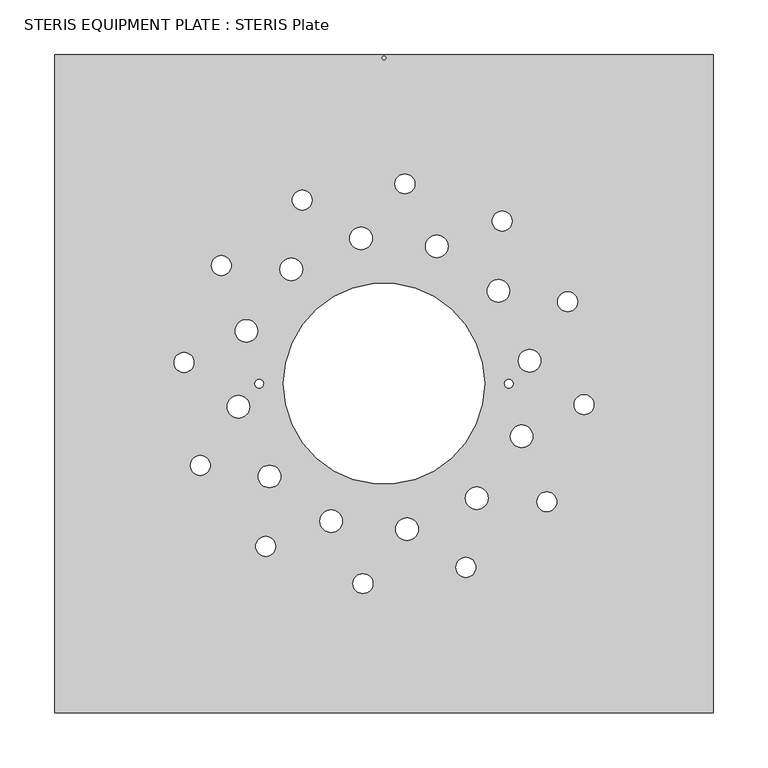
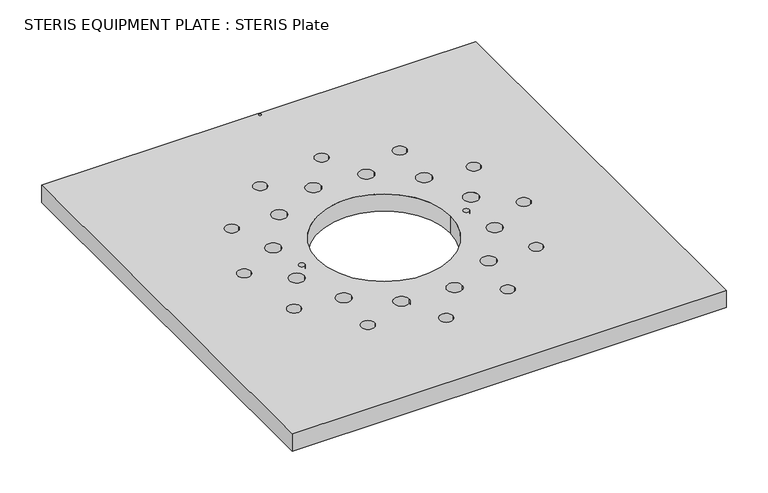
"""IFC4 building model written with IfcOpenShell, lengths in millimetres: fastener geometry, STERIS EQUIPMENT PLATE : STERIS Plate."""

from ifc_helpers import new_model, si_unit, point, frame_2d, origin, origin_with_axes, place, context, project, spatial, polyline, circle_curve, trimmed, segment, composite_curve, outline, extrude, source, transform, mapped, element, save


def steris_equipment_plate_steris_plate_750d8a87(model_context):
    return source(origin(), model_context, "Body", "SweptSolid", [
        extrude(outline(polyline([(-301.625, 301.3690042), (301.625, 301.3690042), (301.625, -301.8809958), (-301.625, -301.8809958), (-301.625, 301.3690042)]), holes=[composite_curve([segment(trimmed(circle_curve(frame_2d((0.0, 298.1512602)), 1.5600354), [point((-1.5600354, 298.1512602))], [point((1.5600354, 298.1512602))], True, "CARTESIAN"), True, "CONTINUOUS"), segment(trimmed(circle_curve(frame_2d((0.0, 298.1512602)), 1.5600354), [point((1.5600354, 298.1512602))], [point((-1.5600354, 298.1512602))], True, "CARTESIAN"), True, "CONTINUOUS")], self_intersect=False), composite_curve([segment(trimmed(circle_curve(frame_2d((0.0, -0.2559958)), 92.075), [point((-92.075, -0.2559958))], [point((92.075, -0.2559958))], True, "CARTESIAN"), True, "CONTINUOUS"), segment(trimmed(circle_curve(frame_2d((0.0, -0.2559958)), 92.075), [point((92.075, -0.2559958))], [point((-92.075, -0.2559958))], True, "CARTESIAN"), True, "CONTINUOUS")], self_intersect=False), composite_curve([segment(trimmed(circle_curve(frame_2d((-84.9085458, 104.6185376)), 10.3251), [point((-95.2336458, 104.6185376))], [point((-74.5834458, 104.6185376))], True, "CARTESIAN"), True, "CONTINUOUS"), segment(trimmed(circle_curve(frame_2d((-84.9085458, 104.6185376)), 10.3251), [point((-74.5834458, 104.6185376))], [point((-95.2336458, 104.6185376))], True, "CARTESIAN"), True, "CONTINUOUS")], self_intersect=False), composite_curve([segment(trimmed(circle_curve(frame_2d((-114.3, -0.2559958)), 3.96875), [point((-118.26875, -0.2559958))], [point((-110.33125, -0.2559958))], True, "CARTESIAN"), True, "CONTINUOUS"), segment(trimmed(circle_curve(frame_2d((-114.3, -0.2559958)), 3.96875), [point((-110.33125, -0.2559958))], [point((-118.26875, -0.2559958))], True, "CARTESIAN"), True, "CONTINUOUS")], self_intersect=False), composite_curve([segment(trimmed(circle_curve(frame_2d((114.3, -0.2559958)), 3.96875), [point((110.33125, -0.2559958))], [point((118.26875, -0.2559958))], True, "CARTESIAN"), True, "CONTINUOUS"), segment(trimmed(circle_curve(frame_2d((114.3, -0.2559958)), 3.96875), [point((118.26875, -0.2559958))], [point((110.33125, -0.2559958))], True, "CARTESIAN"), True, "CONTINUOUS")], self_intersect=False), composite_curve([segment(trimmed(circle_curve(frame_2d((-21.0554883, 133.0286444)), 10.3251), [point((-31.3805883, 133.0286444))], [point((-10.7303883, 133.0286444))], True, "CARTESIAN"), True, "CONTINUOUS"), segment(trimmed(circle_curve(frame_2d((-21.0554883, 133.0286444)), 10.3251), [point((-10.7303883, 133.0286444))], [point((-31.3805883, 133.0286444))], True, "CARTESIAN"), True, "CONTINUOUS")], self_intersect=False), composite_curve([segment(trimmed(circle_curve(frame_2d((48.3351671, 125.7274973)), 10.3251), [point((38.0100671, 125.7274973))], [point((58.6602671, 125.7274973))], True, "CARTESIAN"), True, "CONTINUOUS"), segment(trimmed(circle_curve(frame_2d((48.3351671, 125.7274973)), 10.3251), [point((58.6602671, 125.7274973))], [point((38.0100671, 125.7274973))], True, "CARTESIAN"), True, "CONTINUOUS")], self_intersect=False), composite_curve([segment(trimmed(circle_curve(frame_2d((104.7881712, 84.7591092)), 10.3251), [point((94.4630712, 84.7591092))], [point((115.1132712, 84.7591092))], True, "CARTESIAN"), True, "CONTINUOUS"), segment(trimmed(circle_curve(frame_2d((104.7881712, 84.7591092)), 10.3251), [point((115.1132712, 84.7591092))], [point((94.4630712, 84.7591092))], True, "CARTESIAN"), True, "CONTINUOUS")], self_intersect=False), composite_curve([segment(trimmed(circle_curve(frame_2d((133.267494, 20.9077458)), 10.3251), [point((122.942394, 20.9077458))], [point((143.592594, 20.9077458))], True, "CARTESIAN"), True, "CONTINUOUS"), segment(trimmed(circle_curve(frame_2d((133.267494, 20.9077458)), 10.3251), [point((143.592594, 20.9077458))], [point((122.942394, 20.9077458))], True, "CARTESIAN"), True, "CONTINUOUS")], self_intersect=False), composite_curve([segment(trimmed(circle_curve(frame_2d((126.0226115, -48.4890788)), 10.3251), [point((115.6975115, -48.4890788))], [point((136.3477115, -48.4890788))], True, "CARTESIAN"), True, "CONTINUOUS"), segment(trimmed(circle_curve(frame_2d((126.0226115, -48.4890788)), 10.3251), [point((136.3477115, -48.4890788))], [point((115.6975115, -48.4890788))], True, "CARTESIAN"), True, "CONTINUOUS")], self_intersect=False), composite_curve([segment(trimmed(circle_curve(frame_2d((84.9326928, -105.1109748)), 10.3251), [point((74.6075928, -105.1109748))], [point((95.2577928, -105.1109748))], True, "CARTESIAN"), True, "CONTINUOUS"), segment(trimmed(circle_curve(frame_2d((84.9326928, -105.1109748)), 10.3251), [point((95.2577928, -105.1109748))], [point((74.6075928, -105.1109748))], True, "CARTESIAN"), True, "CONTINUOUS")], self_intersect=False), composite_curve([segment(trimmed(circle_curve(frame_2d((21.0560138, -133.540553)), 10.3251), [point((10.7309138, -133.540553))], [point((31.3811138, -133.540553))], True, "CARTESIAN"), True, "CONTINUOUS"), segment(trimmed(circle_curve(frame_2d((21.0560138, -133.540553)), 10.3251), [point((31.3811138, -133.540553))], [point((10.7309138, -133.540553))], True, "CARTESIAN"), True, "CONTINUOUS")], self_intersect=False), composite_curve([segment(trimmed(circle_curve(frame_2d((-48.4114324, -126.2102023)), 10.3251), [point((-58.7365324, -126.2102023))], [point((-38.0863324, -126.2102023))], True, "CARTESIAN"), True, "CONTINUOUS"), segment(trimmed(circle_curve(frame_2d((-48.4114324, -126.2102023)), 10.3251), [point((-38.0863324, -126.2102023))], [point((-58.7365324, -126.2102023))], True, "CARTESIAN"), True, "CONTINUOUS")], self_intersect=False), composite_curve([segment(trimmed(circle_curve(frame_2d((-104.8470581, -85.1984664)), 10.3251), [point((-115.1721581, -85.1984664))], [point((-94.5219581, -85.1984664))], True, "CARTESIAN"), True, "CONTINUOUS"), segment(trimmed(circle_curve(frame_2d((-104.8470581, -85.1984664)), 10.3251), [point((-94.5219581, -85.1984664))], [point((-115.1721581, -85.1984664))], True, "CARTESIAN"), True, "CONTINUOUS")], self_intersect=False), composite_curve([segment(trimmed(circle_curve(frame_2d((-133.2921594, -21.2638311)), 10.3251), [point((-143.6172594, -21.2638311))], [point((-122.9670594, -21.2638311))], True, "CARTESIAN"), True, "CONTINUOUS"), segment(trimmed(circle_curve(frame_2d((-133.2921594, -21.2638311)), 10.3251), [point((-122.9670594, -21.2638311))], [point((-143.6172594, -21.2638311))], True, "CARTESIAN"), True, "CONTINUOUS")], self_intersect=False), composite_curve([segment(trimmed(circle_curve(frame_2d((-125.9874854, 48.0687641)), 10.3251), [point((-136.3125854, 48.0687641))], [point((-115.6623854, 48.0687641))], True, "CARTESIAN"), True, "CONTINUOUS"), segment(trimmed(circle_curve(frame_2d((-125.9874854, 48.0687641)), 10.3251), [point((-115.6623854, 48.0687641))], [point((-136.3125854, 48.0687641))], True, "CARTESIAN"), True, "CONTINUOUS")], self_intersect=False), composite_curve([segment(trimmed(circle_curve(frame_2d((-74.8702822, 167.9868743)), 9.1313), [point((-84.0015822, 167.9868743))], [point((-65.7389822, 167.9868743))], True, "CARTESIAN"), True, "CONTINUOUS"), segment(trimmed(circle_curve(frame_2d((-74.8702822, 167.9868743)), 9.1313), [point((-65.7389822, 167.9868743))], [point((-84.0015822, 167.9868743))], True, "CARTESIAN"), True, "CONTINUOUS")], self_intersect=False), composite_curve([segment(trimmed(circle_curve(frame_2d((-148.9834423, 107.9805803)), 9.1313), [point((-158.1147423, 107.9805803))], [point((-139.8521423, 107.9805803))], True, "CARTESIAN"), True, "CONTINUOUS"), segment(trimmed(circle_curve(frame_2d((-148.9834423, 107.9805803)), 9.1313), [point((-139.8521423, 107.9805803))], [point((-158.1147423, 107.9805803))], True, "CARTESIAN"), True, "CONTINUOUS")], self_intersect=False), composite_curve([segment(trimmed(circle_curve(frame_2d((-183.126936, 19.1282197)), 9.1313), [point((-192.258236, 19.1282197))], [point((-173.995636, 19.1282197))], True, "CARTESIAN"), True, "CONTINUOUS"), segment(trimmed(circle_curve(frame_2d((-183.126936, 19.1282197)), 9.1313), [point((-173.995636, 19.1282197))], [point((-192.258236, 19.1282197))], True, "CARTESIAN"), True, "CONTINUOUS")], self_intersect=False), composite_curve([segment(trimmed(circle_curve(frame_2d((-168.2148813, -75.1891407)), 9.1313), [point((-177.3461813, -75.1891407))], [point((-159.0835813, -75.1891407))], True, "CARTESIAN"), True, "CONTINUOUS"), segment(trimmed(circle_curve(frame_2d((-168.2148813, -75.1891407)), 9.1313), [point((-159.0835813, -75.1891407))], [point((-177.3461813, -75.1891407))], True, "CARTESIAN"), True, "CONTINUOUS")], self_intersect=False), composite_curve([segment(trimmed(circle_curve(frame_2d((-108.3093828, -149.1865169)), 9.1313), [point((-117.4406828, -149.1865169))], [point((-99.1780828, -149.1865169))], True, "CARTESIAN"), True, "CONTINUOUS"), segment(trimmed(circle_curve(frame_2d((-108.3093828, -149.1865169)), 9.1313), [point((-99.1780828, -149.1865169))], [point((-117.4406828, -149.1865169))], True, "CARTESIAN"), True, "CONTINUOUS")], self_intersect=False), composite_curve([segment(trimmed(circle_curve(frame_2d((-19.2693325, -183.3950559)), 9.1313), [point((-28.4006325, -183.3950559))], [point((-10.1380325, -183.3950559))], True, "CARTESIAN"), True, "CONTINUOUS"), segment(trimmed(circle_curve(frame_2d((-19.2693325, -183.3950559)), 9.1313), [point((-10.1380325, -183.3950559))], [point((-28.4006325, -183.3950559))], True, "CARTESIAN"), True, "CONTINUOUS")], self_intersect=False), composite_curve([segment(trimmed(circle_curve(frame_2d((74.9441087, -168.4659928)), 9.1313), [point((65.8128087, -168.4659928))], [point((84.0754087, -168.4659928))], True, "CARTESIAN"), True, "CONTINUOUS"), segment(trimmed(circle_curve(frame_2d((74.9441087, -168.4659928)), 9.1313), [point((84.0754087, -168.4659928))], [point((65.8128087, -168.4659928))], True, "CARTESIAN"), True, "CONTINUOUS")], self_intersect=False), composite_curve([segment(trimmed(circle_curve(frame_2d((149.0634956, -108.382296)), 9.1313), [point((139.9321956, -108.382296))], [point((158.1947956, -108.382296))], True, "CARTESIAN"), True, "CONTINUOUS"), segment(trimmed(circle_curve(frame_2d((149.0634956, -108.382296)), 9.1313), [point((158.1947956, -108.382296))], [point((139.9321956, -108.382296))], True, "CARTESIAN"), True, "CONTINUOUS")], self_intersect=False), composite_curve([segment(trimmed(circle_curve(frame_2d((183.1487199, -19.4332973)), 9.1313), [point((174.0174199, -19.4332973))], [point((192.2800199, -19.4332973))], True, "CARTESIAN"), True, "CONTINUOUS"), segment(trimmed(circle_curve(frame_2d((183.1487199, -19.4332973)), 9.1313), [point((192.2800199, -19.4332973))], [point((174.0174199, -19.4332973))], True, "CARTESIAN"), True, "CONTINUOUS")], self_intersect=False), composite_curve([segment(trimmed(circle_curve(frame_2d((168.1318108, 74.8633538)), 9.1313), [point((159.0005108, 74.8633538))], [point((177.2631108, 74.8633538))], True, "CARTESIAN"), True, "CONTINUOUS"), segment(trimmed(circle_curve(frame_2d((168.1318108, 74.8633538)), 9.1313), [point((177.2631108, 74.8633538))], [point((159.0005108, 74.8633538))], True, "CARTESIAN"), True, "CONTINUOUS")], self_intersect=False), composite_curve([segment(trimmed(circle_curve(frame_2d((108.1581762, 148.7843726)), 9.1313), [point((99.0268762, 148.7843726))], [point((117.2894762, 148.7843726))], True, "CARTESIAN"), True, "CONTINUOUS"), segment(trimmed(circle_curve(frame_2d((108.1581762, 148.7843726)), 9.1313), [point((117.2894762, 148.7843726))], [point((99.0268762, 148.7843726))], True, "CARTESIAN"), True, "CONTINUOUS")], self_intersect=False), composite_curve([segment(trimmed(circle_curve(frame_2d((19.1538015, 182.8951832)), 9.1313), [point((10.0225015, 182.8951832))], [point((28.2851015, 182.8951832))], True, "CARTESIAN"), True, "CONTINUOUS"), segment(trimmed(circle_curve(frame_2d((19.1538015, 182.8951832)), 9.1313), [point((28.2851015, 182.8951832))], [point((10.0225015, 182.8951832))], True, "CARTESIAN"), True, "CONTINUOUS")], self_intersect=False)]), origin_with_axes(), (0.0, 0.0, 1.0), 25.4),
    ])


if __name__ == "__main__":
    model = new_model("IFC4")
    model_context = context("Model", 3, world=origin())
    ifc_project = project(units=[si_unit("LENGTHUNIT", "METRE", prefix="MILLI")], contexts=[model_context])
    site = spatial("IfcSite", under=ifc_project)
    building = spatial("IfcBuilding", under=site)
    placement = place(None, origin())
    steris_equipment_plate_steris_plate_shape = steris_equipment_plate_steris_plate_750d8a87(model_context)
    element("IfcFastener", 1, ObjectType="STERIS EQUIPMENT PLATE : STERIS Plate", at=placement, inside=building, context=model_context, shape_type="MappedRepresentation", body=[
        mapped(steris_equipment_plate_steris_plate_shape, transform((0.0, 0.0, 0.0), x_axis=(1.0, 0.0, 0.0), y_axis=(0.0, 1.0, 0.0), z_axis=(0.0, 0.0, 1.0))),
    ])
    save(model, "model.ifc")
